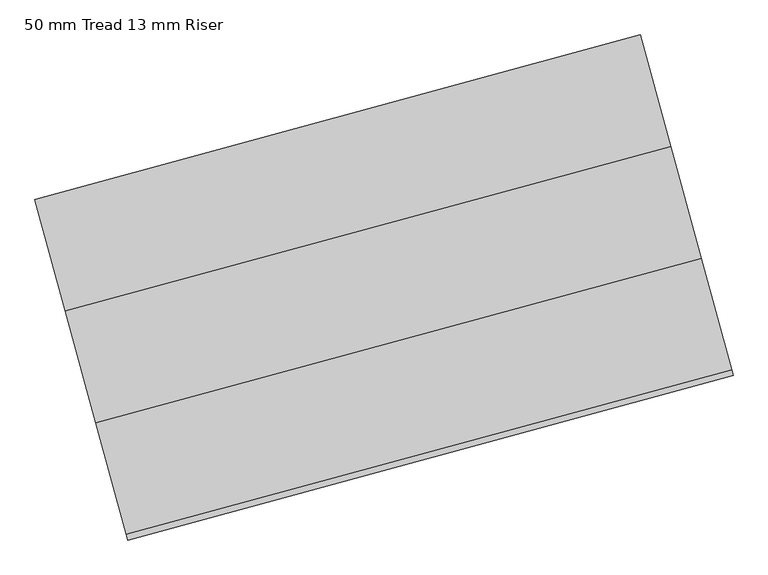
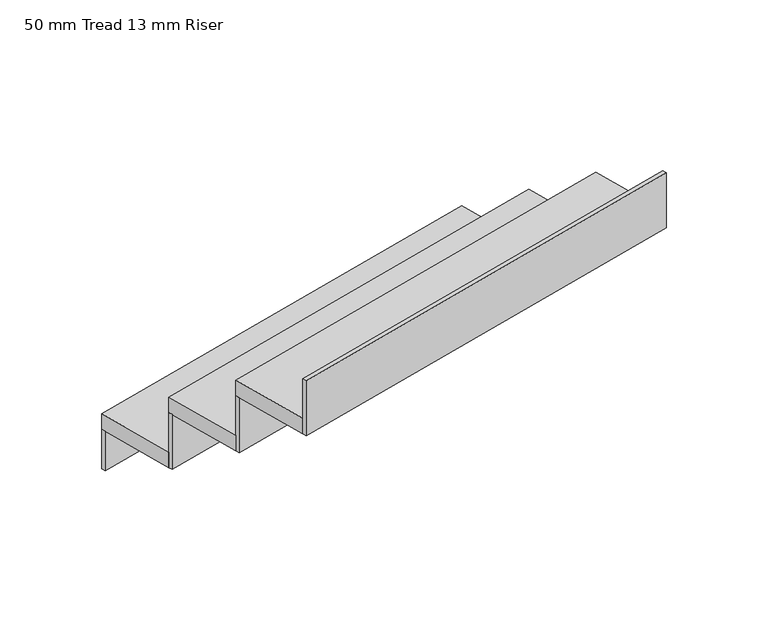
"""IFC4 building model written with IfcOpenShell, lengths in millimetres: stair flight geometry, 50 mm Tread 13 mm Riser."""

from ifc_helpers import new_model, si_unit, frame, origin, origin_with_axes, place, context, project, spatial, polyline, outline, extrude, source, transform, mapped, element, save


def stair_flight_50_mm_tread_13_mm_riser_70de8f2e(model_context):
    return source(origin(), model_context, "Body", "SweptSolid", [
        extrude(outline(polyline([(84938.6902361, 13279.0137569), (84935.4116256, 13291.0761245), (86241.8560161, 13646.1740929), (86245.1346265, 13634.1117253), (84938.6902361, 13279.0137569)])), origin_with_axes(), (0.0, 0.0, 1.0), 127.7777778),
        extrude(outline(polyline([(86307.4282253, 13404.9267398), (85000.9838349, 13049.8287715), (84935.4116256, 13291.0761245), (86241.8560161, 13646.1740929), (86307.4282253, 13404.9267398)])), frame((0.0, 0.0, 127.7777778), z_axis=(0.0, 0.0, 1.0), x_axis=(1.0, 0.0, 0.0)), (0.0, 0.0, 1.0), 50.0),
        extrude(outline(polyline([(85004.2624453, 13037.7664038), (85000.9838349, 13049.8287715), (86307.4282253, 13404.9267398), (86310.7068358, 13392.8643722), (85004.2624453, 13037.7664038)])), frame((0.0, 0.0, 127.7777778), z_axis=(0.0, 0.0, 1.0), x_axis=(1.0, 0.0, 0.0)), (0.0, 0.0, 1.0), 177.7777778),
        extrude(outline(polyline([(86373.0004346, 13163.6793867), (85066.5560441, 12808.5814184), (85000.9838349, 13049.8287715), (86307.4282253, 13404.9267398), (86373.0004346, 13163.6793867)])), frame((0.0, 0.0, 305.5555556), z_axis=(0.0, 0.0, 1.0), x_axis=(1.0, 0.0, 0.0)), (0.0, 0.0, 1.0), 50.0),
        extrude(outline(polyline([(85069.8346546, 12796.5190507), (85066.5560441, 12808.5814184), (86373.0004346, 13163.6793867), (86376.279045, 13151.6170191), (85069.8346546, 12796.5190507)])), frame((0.0, 0.0, 305.5555556), z_axis=(0.0, 0.0, 1.0), x_axis=(1.0, 0.0, 0.0)), (0.0, 0.0, 1.0), 177.7777778),
        extrude(outline(polyline([(85135.4068638, 12555.2716976), (85132.1282534, 12567.3340653), (86438.5726438, 12922.4320336), (86441.8512543, 12910.369666), (85135.4068638, 12555.2716976)])), frame((0.0, 0.0, 483.3333333), z_axis=(0.0, 0.0, 1.0), x_axis=(1.0, 0.0, 0.0)), (0.0, 0.0, 1.0), 177.7777778),
        extrude(outline(polyline([(86438.5726438, 12922.4320336), (85132.1282534, 12567.3340653), (85066.5560441, 12808.5814184), (86373.0004346, 13163.6793867), (86438.5726438, 12922.4320336)])), frame((0.0, 0.0, 483.3333333), z_axis=(0.0, 0.0, 1.0), x_axis=(1.0, 0.0, 0.0)), (0.0, 0.0, 1.0), 50.0),
    ])


if __name__ == "__main__":
    model = new_model("IFC4")
    model_context = context("Model", 3, world=origin())
    ifc_project = project(units=[si_unit("LENGTHUNIT", "METRE", prefix="MILLI")], contexts=[model_context])
    site = spatial("IfcSite", under=ifc_project)
    building = spatial("IfcBuilding", under=site)
    placement = place(None, origin())
    stair_flight_50_mm_tread_13_mm_riser_shape = stair_flight_50_mm_tread_13_mm_riser_70de8f2e(model_context)
    element("IfcStairFlight", 1, ObjectType="50 mm Tread 13 mm Riser", at=placement, inside=building, context=model_context, shape_type="MappedRepresentation", body=[
        mapped(stair_flight_50_mm_tread_13_mm_riser_shape, transform((0.0, 0.0, 0.0), x_axis=(1.0, 0.0, 0.0), y_axis=(0.0, 1.0, 0.0), z_axis=(0.0, 0.0, 1.0))),
    ])
    save(model, "model.ifc")
